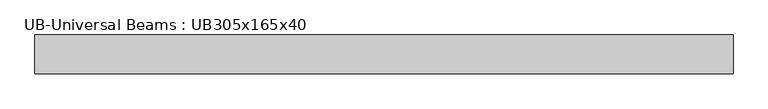
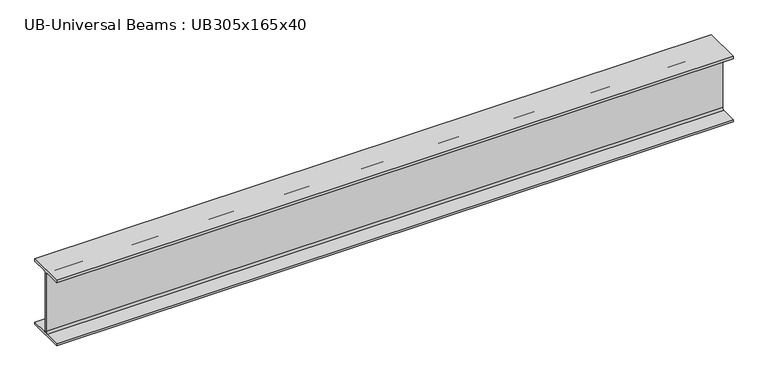
"""IFC4 building model written with IfcOpenShell, lengths in millimetres: beam geometry, UB-Universal Beams : UB305x165x40."""

from ifc_helpers import new_model, si_unit, point, frame, frame_2d, origin, place, context, project, spatial, polyline, circle_curve, trimmed, segment, composite_curve, outline, extrude, source, transform, mapped, element, save


def ub_universal_beams_ub305x165x40_599fa763(model_context):
    return source(origin(), model_context, "Body", "SweptSolid", [
        extrude(outline(composite_curve([segment(polyline([(82.5, -141.5), (82.5, -151.7), (-82.5, -151.7), (-82.5, -141.5), (-11.9, -141.5)]), True, "CONTINUOUS"), segment(trimmed(circle_curve(frame_2d((-11.9, -132.6)), 8.9), [point((-11.9, -141.5))], [point((-3.0, -132.6))], True, "CARTESIAN"), True, "CONTINUOUS"), segment(polyline([(-3.0, -132.6), (-3.0, 132.6)]), True, "CONTINUOUS"), segment(trimmed(circle_curve(frame_2d((-11.9, 132.6)), 8.9), [point((-3.0, 132.6))], [point((-11.9, 141.5))], True, "CARTESIAN"), True, "CONTINUOUS"), segment(polyline([(-11.9, 141.5), (-82.5, 141.5), (-82.5, 151.7), (82.5, 151.7), (82.5, 141.5), (11.9, 141.5)]), True, "CONTINUOUS"), segment(trimmed(circle_curve(frame_2d((11.9, 132.6)), 8.9), [point((11.9, 141.5))], [point((3.0, 132.6))], True, "CARTESIAN"), True, "CONTINUOUS"), segment(polyline([(3.0, 132.6), (3.0, -132.6)]), True, "CONTINUOUS"), segment(trimmed(circle_curve(frame_2d((11.9, -132.6)), 8.9), [point((3.0, -132.6))], [point((11.9, -141.5))], True, "CARTESIAN"), True, "CONTINUOUS"), segment(polyline([(11.9, -141.5), (82.5, -141.5)]), True, "CONTINUOUS")], self_intersect=False)), frame((-1492.5, 0.0, 0.0), z_axis=(1.0, 0.0, 0.0), x_axis=(0.0, 1.0, 0.0)), (0.0, 0.0, 1.0), 2972.3),
    ])


if __name__ == "__main__":
    model = new_model("IFC4")
    model_context = context("Model", 3, world=origin())
    ifc_project = project(units=[si_unit("LENGTHUNIT", "METRE", prefix="MILLI")], contexts=[model_context])
    site = spatial("IfcSite", under=ifc_project)
    building = spatial("IfcBuilding", under=site)
    placement = place(None, origin())
    ub_universal_beams_ub305x165x40_shape = ub_universal_beams_ub305x165x40_599fa763(model_context)
    element("IfcBeam", 1, ObjectType="UB-Universal Beams : UB305x165x40", at=placement, inside=building, context=model_context, shape_type="MappedRepresentation", body=[
        mapped(ub_universal_beams_ub305x165x40_shape, transform((0.0, 0.0, 0.0), x_axis=(1.0, 0.0, 0.0), y_axis=(0.0, 1.0, 0.0), z_axis=(0.0, 0.0, 1.0))),
    ])
    save(model, "model.ifc")
